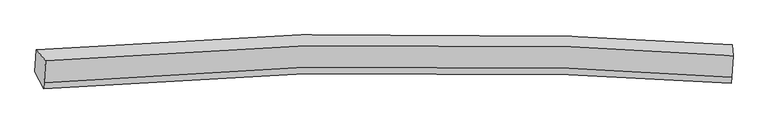
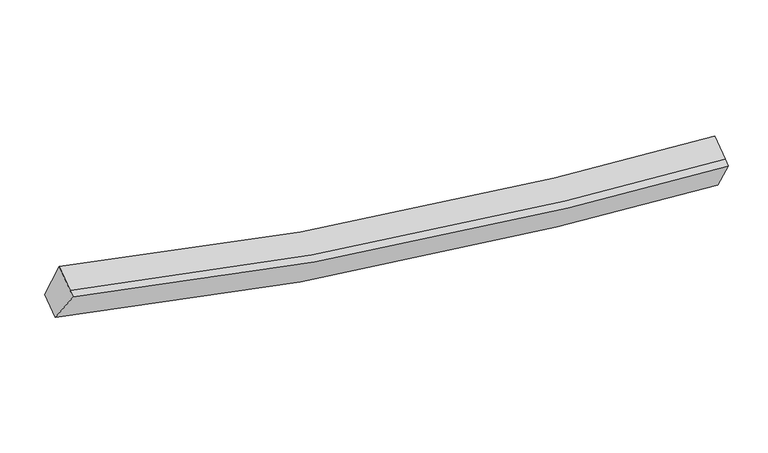
"""IFC4 building model written with IfcOpenShell, lengths in millimetres: proxy geometry."""

from ifc_helpers import new_model, si_unit, frame, origin, place, context, project, spatial, source, transform, mapped, element, save
from ifc_brep_helpers import plane_surface, spline_curve, spline_surface, advanced_brep


def generic_models_0410b48e(model_context):
    return source(origin(), model_context, "Body", "AdvancedBrep", [
        advanced_brep(
        [(-7563.1361717, -1829.748826, 4177.2138785), (-7384.8307865, -2038.0674754, 4838.5373025), (6007.9401557, -1940.1871904, 2900.1518115), (5987.2354627, -1731.5444486, 2215.3337005), (-7415.4617045, -2468.0792972, 4599.4318508), (5978.1750893, -2358.043763, 2667.805212), (-7424.1606615, -2590.1995144, 4531.5276486), (5969.4761323, -2480.1639803, 2599.9010098), (-7593.1378392, -2250.9269219, 3943.0203663), (5958.1816869, -2139.4155764, 1988.5394467)],
        [
            (0, 1),
            (1, 2, spline_curve(3, [(-7384.8307865, -2038.0674754, 4838.5373025), (-4018.254913168, -1738.41568901, 3841.45586548), (-608.356512511, -1649.346413871, 3229.024230708), (3895.214940738, -1807.819780483, 2931.95903529), (4949.573521324, -1864.262293739, 2898.262172189), (6007.9401557, -1940.1871904, 2900.1518115)], [4, 2, 4], [0.0, 34.360974433061784, 44.81239597532824])),
            (2, 3),
            (3, 0, spline_curve(3, [(5987.2354627, -1731.5444486, 2215.3337005), (4922.176761162, -1655.214145826, 2213.507897078), (3859.829345181, -1598.466653824, 2247.679700603), (-683.555844091, -1439.116236924, 2548.543981909), (-4137.998973254, -1528.598520863, 3168.332238019), (-7563.1361717, -1829.748826, 4177.2138785)], [4, 2, 4], [0.0, 10.45142154226646, 44.81239597532824])),
            (1, 4),
            (4, 5, spline_curve(3, [(-7415.4617045, -2468.0792972, 4599.4318508), (-4048.375909111, -2161.268984709, 3606.33086767), (-638.188891769, -2068.147960507, 2996.152184659), (3865.470348714, -2225.388924752, 2699.77225848), (4919.828929097, -2281.831438032, 2666.075395652), (5978.1750893, -2358.043763, 2667.805212)], [4, 2, 4], [0.0, 34.160506200742034, 44.5509522312142])),
            (5, 2),
            (4, 6),
            (6, 7, spline_curve(3, [(-7424.1606615, -2590.1995144, 4531.5276486), (-4057.074866851, -2283.389201501, 3538.42666526), (-646.88784859, -2190.268177529, 2928.2479826), (3856.77139166, -2347.509142007, 2631.868056238), (4911.129972065, -2403.951655328, 2598.171193521), (5969.4761323, -2480.1639803, 2599.9010098)], [4, 2, 4], [0.0, 34.16048431294823, 44.55092368590955])),
            (7, 5),
            (6, 8),
            (8, 9, spline_curve(3, [(-7593.1378392, -2250.9269219, 3943.0203663), (-4167.442404265, -1941.939816233, 2938.496330287), (-712.683310814, -1848.021875216, 2321.174494107), (3830.797983614, -2006.023119397, 2021.060413117), (4893.145399364, -2062.770611179, 1986.888609232), (5958.1816869, -2139.4155764, 1988.5394467)], [4, 2, 4], [0.0, 34.36091434944872, 44.812317616355465])),
            (9, 7),
            (8, 0),
            (3, 9),
        ],
        [
            spline_surface(3, 3, [[(-7563.1361717, -1829.748826, 4177.2138785), (-4137.998973442, -1528.59852091, 3168.332237488), (-683.555844431, -1439.116236672, 2548.543981832), (3859.829345284, -1598.466653901, 2247.679700627), (4922.176761041, -1655.214145699, 2213.50789694), (5987.2354627, -1731.5444486, 2215.3337005)], [(-7503.701043304, -1899.188375785, 4397.655019834), (-4098.084286569, -1598.53757675, 3392.706779967), (-658.489400463, -1509.19296233, 2775.370731481), (3871.62454379, -1668.251029463, 2475.772812145), (4931.309014423, -1724.896861712, 2441.759322062), (5994.137027012, -1801.092029197, 2443.606404158)], [(-7444.265914896, -1968.627925615, 4618.096161166), (-4058.169599683, -1668.476632635, 3617.081322443), (-633.422956539, -1579.269687962, 3002.197481197), (3883.41974225, -1738.035404997, 2703.86592373), (4940.441267871, -1794.579577734, 2670.010747211), (6001.038591388, -1870.639609803, 2671.879107842)], [(-7384.8307865, -2038.0674754, 4838.5373025), (-4018.254912809, -1738.415688475, 3841.455864922), (-608.35651257, -1649.346413621, 3229.024230846), (3895.214940756, -1807.819780559, 2931.959035248), (4949.573521253, -1864.262293747, 2898.262172333), (6007.9401557, -1940.1871904, 2900.1518115)]], [4, 4], [4, 2, 4], [0.0, 2.346185869555287], [0.0, 34.360974433061784, 44.81239597532824]),
            spline_surface(3, 3, [[(-7384.8307865, -2038.0674754, 4838.5373025), (-4018.254912809, -1738.415688475, 3841.455864922), (-608.35651257, -1649.346413621, 3229.024230846), (3895.214940756, -1807.819780559, 2931.959035248), (4949.573521253, -1864.262293747, 2898.262172333), (6007.9401557, -1940.1871904, 2900.1518115)], [(-7395.041092487, -2181.404749332, 4758.835485277), (-4028.295245013, -1879.366787222, 3763.080865861), (-618.300639037, -1788.946929127, 3151.400215361), (3885.300076752, -1947.009495295, 2854.563443027), (4939.658657249, -2003.452008483, 2820.866580113), (5998.018466925, -2079.472714609, 2822.702945006)], [(-7405.251398513, -2324.742023268, 4679.133668023), (-4038.335577255, -2020.317885974, 3684.70586677), (-628.244765478, -1928.547444708, 3073.776199858), (3875.385212772, -2086.199210105, 2777.167850788), (4929.743793169, -2142.641723193, 2743.470987873), (5988.096778075, -2218.758238791, 2745.254078494)], [(-7415.4617045, -2468.0792972, 4599.4318508), (-4048.375909459, -2161.268984722, 3606.330867709), (-638.188891945, -2068.147960215, 2996.152184373), (3865.470348768, -2225.388924841, 2699.772258567), (4919.828929165, -2281.831437929, 2666.075395653), (5978.1750893, -2358.043763, 2667.805212)]], [4, 4], [4, 2, 4], [0.0, 1.579591881967088], [0.0, 34.160506200742034, 44.5509522312142]),
            spline_surface(3, 3, [[(-7415.4617045, -2468.0792972, 4599.4318508), (-4048.375909459, -2161.268984722, 3606.330867709), (-638.188891945, -2068.147960215, 2996.152184373), (3865.470348768, -2225.388924841, 2699.772258567), (4919.828929165, -2281.831437929, 2666.075395653), (5978.1750893, -2358.043763, 2667.805212)], [(-7418.361356841, -2508.78603629, 4576.797116723), (-4051.275561799, -2201.975723812, 3583.696133632), (-641.088544286, -2108.854699305, 2973.517450297), (3862.570696427, -2266.095663931, 2677.137524491), (4916.929276825, -2322.53817702, 2643.440661576), (5975.275436959, -2398.75050209, 2645.170477923)], [(-7421.261009159, -2549.49277531, 4554.162382677), (-4054.175214118, -2242.682462832, 3561.061399585), (-643.988196604, -2149.561438325, 2950.88271625), (3859.671044109, -2306.802402951, 2654.502790444), (4914.029624506, -2363.244916139, 2620.805927529), (5972.375784641, -2439.45724121, 2622.535743877)], [(-7424.1606615, -2590.1995144, 4531.5276486), (-4057.074866459, -2283.389201922, 3538.426665509), (-646.887848945, -2190.268177415, 2928.247982173), (3856.771391768, -2347.509142041, 2631.868056367), (4911.129972165, -2403.951655229, 2598.171193453), (5969.4761323, -2480.1639803, 2599.9010098)]], [4, 4], [4, 2, 4], [0.0, 0.4593175853018293], [0.0, 34.16048431294823, 44.55092368590955]),
            spline_surface(3, 3, [[(-7424.1606615, -2590.1995144, 4531.5276486), (-4057.074866459, -2283.389201922, 3538.426665509), (-646.887848945, -2190.268177415, 2928.247982173), (3856.771391768, -2347.509142041, 2631.868056367), (4911.129972165, -2403.951655229, 2598.171193453), (5969.4761323, -2480.1639803, 2599.9010098)], [(-7480.486387403, -2477.108650209, 4335.358554494), (-4093.864045698, -2169.57273982, 3338.449887256), (-668.819669715, -2076.186076737, 2725.890152998), (3848.1135891, -2233.680467785, 2428.265508595), (4905.135114621, -2290.224640521, 2394.410332075), (5965.711317174, -2366.581179026, 2396.113822111)], [(-7536.812113297, -2364.017786091, 4139.189460406), (-4130.653224929, -2055.756277792, 3138.473109022), (-690.751490499, -1962.103976116, 2523.532323748), (3839.45578642, -2119.851793586, 2224.662960748), (4899.140257054, -2176.497625734, 2190.649470666), (5961.946502026, -2252.998377674, 2192.326634389)], [(-7593.1378392, -2250.9269219, 3943.0203663), (-4167.442404168, -1941.93981569, 2938.496330769), (-712.683311269, -1848.021875438, 2321.174494572), (3830.797983752, -2006.023119329, 2021.060412976), (4893.14539951, -2062.770611026, 1986.888609289), (5958.1816869, -2139.4155764, 1988.5394467)]], [4, 4], [4, 2, 4], [0.0, 2.2931314592241305], [0.0, 34.36091434944872, 44.812317616355465]),
            spline_surface(3, 3, [[(-7593.1378392, -2250.9269219, 3943.0203663), (-4167.442404168, -1941.93981569, 2938.496330769), (-712.683311269, -1848.021875438, 2321.174494572), (3830.797983752, -2006.023119329, 2021.060412976), (4893.14539951, -2062.770611026, 1986.888609289), (5958.1816869, -2139.4155764, 1988.5394467)], [(-7583.137283364, -2110.534223284, 4021.084870372), (-4157.627927257, -1804.159384114, 3015.108299681), (-702.97415566, -1711.719995861, 2396.964323661), (3840.475104259, -1870.170964198, 2096.600175528), (4902.822520016, -1926.918455895, 2062.428371841), (5967.86627883, -2003.458533778, 2064.137531302)], [(-7573.136727536, -1970.141524616, 4099.149374428), (-4147.813450353, -1666.378952486, 3091.720268576), (-693.26500004, -1575.418116249, 2472.754152744), (3850.152224777, -1734.318809033, 2172.139938075), (4912.499640534, -1791.06630083, 2137.968134388), (5977.55087077, -1867.501491222, 2139.735615898)], [(-7563.1361717, -1829.748826, 4177.2138785), (-4137.998973442, -1528.59852091, 3168.332237488), (-683.555844431, -1439.116236672, 2548.543981832), (3859.829345284, -1598.466653901, 2247.679700627), (4922.176761041, -1655.214145699, 2213.50789694), (5987.2354627, -1731.5444486, 2215.3337005)]], [4, 4], [4, 2, 4], [0.0, 1.542788267140012], [0.0, 34.56137086387782, 45.073746078401285]),
            plane_surface(frame((5980.7083594, -2072.8277989, 2425.9814921), z_axis=(0.997937300361476, -0.04644150672552412, -0.04432077391373614), x_axis=(-0.016134921967043317, 0.48678343402981816, -0.873373661525956))),
            plane_surface(frame((-7491.3163647, -2177.2356844, 4372.574799), z_axis=(-0.9684354277480944, -0.06484551929996557, 0.2406821158895758), x_axis=(-0.06213540730026243, -0.8722872662186559, -0.4850300159293382))),
        ],
        [
            (0, [[1, 2, 3, 4]]),
            (1, [[5, 6, 7, -2]]),
            (2, [[8, 9, 10, -6]]),
            (3, [[11, 12, 13, -9]]),
            (4, [[14, -4, 15, -12]]),
            (5, [[-13, -15, -3, -7, -10]]),
            (6, [[-14, -11, -8, -5, -1]]),
        ],
    ),
    ])


if __name__ == "__main__":
    model = new_model("IFC4")
    model_context = context("Model", 3, world=origin())
    ifc_project = project(units=[si_unit("LENGTHUNIT", "METRE", prefix="MILLI")], contexts=[model_context])
    site = spatial("IfcSite", under=ifc_project)
    building = spatial("IfcBuilding", under=site)
    placement = place(None, origin())
    generic_models_shape = generic_models_0410b48e(model_context)
    element("IfcBuildingElementProxy", 1, Name="Generic Models", at=placement, inside=building, context=model_context, shape_type="MappedRepresentation", body=[
        mapped(generic_models_shape, transform((0.0, 0.0, 0.0), x_axis=(1.0, 0.0, 0.0), y_axis=(0.0, 1.0, 0.0), z_axis=(0.0, 0.0, 1.0))),
    ])
    save(model, "model.ifc")
